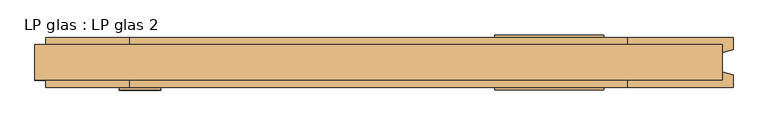
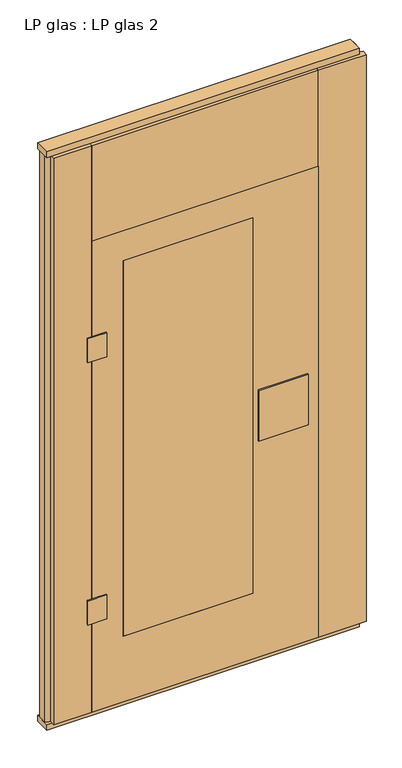
"""IFC4 building model written with IfcOpenShell, lengths in millimetres: door geometry, LP glas : LP glas 2."""

from ifc_helpers import new_model, si_unit, frame, origin, origin_with_axes, place, context, project, spatial, polyline, outline, extrude, source, transform, mapped, element, save


def lp_glas_lp_glas_2_2565bc41(model_context):
    return source(origin(), model_context, "Body", "SweptSolid", [
        extrude(outline(polyline([(-325.0, -45.0), (-325.0, 45.0), (190.0, 45.0), (190.0, -45.0), (-325.0, -45.0)])), frame((0.0, 0.0, 300.0), z_axis=(0.0, 0.0, 1.0), x_axis=(1.0, 0.0, 0.0)), (0.0, 0.0, 1.0), 1575.0),
        extrude(outline(polyline([(-392.5, -45.0), (-392.5, -50.0), (-467.5, -50.0), (-467.5, -45.0), (-392.5, -45.0)])), frame((0.0, 0.0, 1500.0), z_axis=(0.0, 0.0, 1.0), x_axis=(1.0, 0.0, 0.0)), (0.0, 0.0, 1.0), 100.0),
        extrude(outline(polyline([(-392.5, -45.0), (-392.5, -50.0), (-467.5, -50.0), (-467.5, -45.0), (-392.5, -45.0)])), frame((0.0, 0.0, 400.0), z_axis=(0.0, 0.0, 1.0), x_axis=(1.0, 0.0, 0.0)), (0.0, 0.0, 1.0), 100.0),
        extrude(outline(polyline([(-325.0, -45.0), (-325.0, 45.0), (190.0, 45.0), (190.0, -45.0), (-325.0, -45.0)])), frame((0.0, 0.0, 300.0), z_axis=(0.0, 0.0, 1.0), x_axis=(1.0, 0.0, 0.0)), (0.0, 0.0, 1.0), 1575.0),
        extrude(outline(polyline([(210.0, -50.0), (210.0, -45.0), (407.0, -45.0), (407.0, -50.0), (210.0, -50.0)])), frame((0.0, 0.0, 934.0), z_axis=(0.0, 0.0, 1.0), x_axis=(1.0, 0.0, 0.0)), (0.0, 0.0, 1.0), 212.0),
        extrude(outline(polyline([(210.0, 45.0), (210.0, 50.0), (407.0, 50.0), (407.0, 45.0), (210.0, 45.0)])), frame((0.0, 0.0, 934.0), z_axis=(0.0, 0.0, 1.0), x_axis=(1.0, 0.0, 0.0)), (0.0, 0.0, 1.0), 212.0),
        extrude(outline(polyline([(25.0, -450.0), (25.0, 450.0), (2000.0, 450.0), (2000.0, -450.0), (25.0, -450.0)]), holes=[polyline([(300.0, 190.0), (300.0, -325.0), (1875.0, -325.0), (1875.0, 190.0), (300.0, 190.0)])]), frame((0.0, -45.0, 0.0), z_axis=(0.0, 1.0, 0.0), x_axis=(0.0, 0.0, 1.0)), (0.0, 0.0, 1.0), 90.0),
        extrude(outline(polyline([(620.0, 32.0), (620.0, -32.0), (-620.0, -32.0), (-620.0, 32.0), (620.0, 32.0)])), origin_with_axes(), (0.0, 0.0, 1.0), 25.0),
        extrude(outline(polyline([(620.0, 32.0), (620.0, -32.0), (-620.0, -32.0), (-620.0, 32.0), (620.0, 32.0)])), frame((0.0, 0.0, 2402.0), z_axis=(0.0, 0.0, 1.0), x_axis=(1.0, 0.0, 0.0)), (0.0, 0.0, 1.0), 25.0),
        extrude(outline(polyline([(-600.0, -45.0), (-600.0, -22.9993165), (-620.0, -17.6401049), (-620.0, 17.6401049), (-600.0, 22.9993165), (-600.0, 45.0), (-450.0, 45.0), (-450.0, -45.0), (-600.0, -45.0)])), frame((0.0, 0.0, 25.0), z_axis=(0.0, 0.0, 1.0), x_axis=(1.0, 0.0, 0.0)), (0.0, 0.0, 1.0), 2377.0),
        extrude(outline(polyline([(450.0, -45.0), (450.0, 45.0), (639.9999999, 45.0), (639.9999999, 22.9993165), (619.9999999, 17.6401049), (619.9999999, -17.6401049), (639.9999999, -22.9993165), (639.9999999, -45.0), (450.0, -45.0)])), frame((0.0, 0.0, 25.0), z_axis=(0.0, 0.0, 1.0), x_axis=(1.0, 0.0, 0.0)), (0.0, 0.0, 1.0), 2377.0),
        extrude(outline(polyline([(450.0, 45.0), (450.0, -45.0), (-450.0, -45.0), (-450.0, 45.0), (450.0, 45.0)])), frame((0.0, 0.0, 2000.0), z_axis=(0.0, 0.0, 1.0), x_axis=(1.0, 0.0, 0.0)), (0.0, 0.0, 1.0), 402.0),
    ])


if __name__ == "__main__":
    model = new_model("IFC4")
    model_context = context("Model", 3, world=origin())
    ifc_project = project(units=[si_unit("LENGTHUNIT", "METRE", prefix="MILLI")], contexts=[model_context])
    site = spatial("IfcSite", under=ifc_project)
    building = spatial("IfcBuilding", under=site)
    placement = place(None, origin())
    lp_glas_lp_glas_2_shape = lp_glas_lp_glas_2_2565bc41(model_context)
    element("IfcDoor", 1, ObjectType="LP glas : LP glas 2", at=placement, inside=building, context=model_context, shape_type="MappedRepresentation", body=[
        mapped(lp_glas_lp_glas_2_shape, transform((0.0, 0.0, 0.0), x_axis=(1.0, 0.0, 0.0), y_axis=(0.0, 1.0, 0.0), z_axis=(0.0, 0.0, 1.0))),
    ])
    save(model, "model.ifc")
